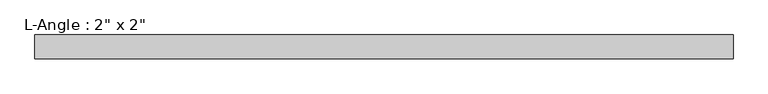
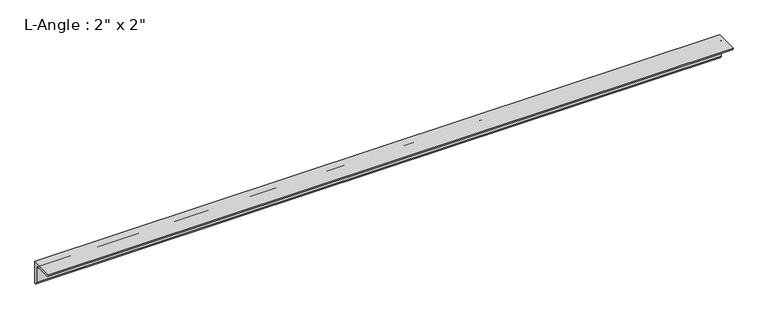
"""IFC4 building model written with IfcOpenShell, lengths in millimetres: beam geometry."""

from ifc_helpers import new_model, si_unit, point, frame, frame_2d, origin, place, context, project, spatial, polyline, circle_curve, trimmed, segment, composite_curve, outline, extrude, source, transform, mapped, element, save


def beam_578730bc(model_context):
    return source(origin(), model_context, "Body", "SweptSolid", [
        extrude(outline(composite_curve([segment(polyline([(0.0, 0.0), (0.0, -50.8)]), True, "CONTINUOUS"), segment(trimmed(circle_curve(frame_2d((0.0, -44.45)), 6.35), [point((0.0, -50.8))], [point((-6.35, -44.45))], False, "CARTESIAN"), True, "CONTINUOUS"), segment(polyline([(-6.35, -44.45), (-6.35, -12.7)]), True, "CONTINUOUS"), segment(trimmed(circle_curve(frame_2d((-12.7, -12.7)), 6.35), [point((-6.35, -12.7))], [point((-12.7, -6.35))], True, "CARTESIAN"), True, "CONTINUOUS"), segment(polyline([(-12.7, -6.35), (-44.45, -6.35)]), True, "CONTINUOUS"), segment(trimmed(circle_curve(frame_2d((-44.45, 0.0)), 6.35), [point((-44.45, -6.35))], [point((-50.8, 0.0))], False, "CARTESIAN"), True, "CONTINUOUS"), segment(polyline([(-50.8, 0.0), (0.0, 0.0)]), True, "CONTINUOUS")], self_intersect=False)), frame((-740.975351, 0.0, 0.0), z_axis=(1.0, 0.0, 0.0), x_axis=(0.0, 1.0, 0.0)), (0.0, 0.0, 1.0), 1481.950702),
    ])


if __name__ == "__main__":
    model = new_model("IFC4")
    model_context = context("Model", 3, world=origin())
    ifc_project = project(units=[si_unit("LENGTHUNIT", "METRE", prefix="MILLI")], contexts=[model_context])
    site = spatial("IfcSite", under=ifc_project)
    building = spatial("IfcBuilding", under=site)
    placement = place(None, origin())
    beam_shape = beam_578730bc(model_context)
    element("IfcBeam", 1, ObjectType="L-Angle : 2\" x 2\"", at=placement, inside=building, context=model_context, shape_type="MappedRepresentation", body=[
        mapped(beam_shape, transform((0.0, 0.0, 0.0), x_axis=(1.0, 0.0, 0.0), y_axis=(0.0, 1.0, 0.0), z_axis=(0.0, 0.0, 1.0))),
    ])
    save(model, "model.ifc")
